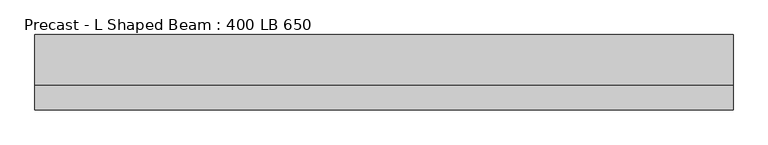
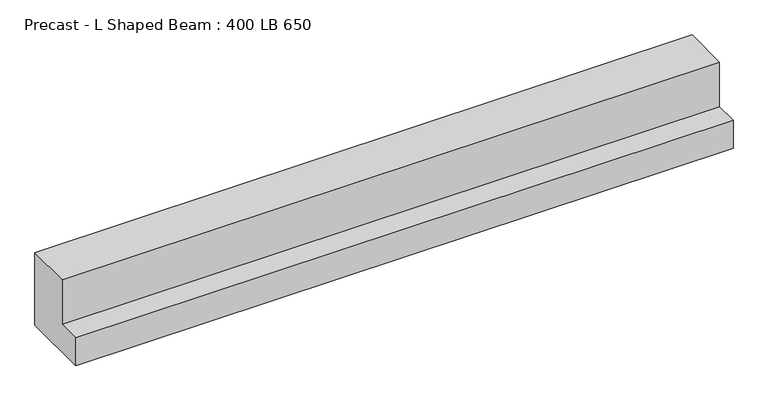
"""IFC4 building model written with IfcOpenShell, lengths in millimetres: beam geometry, Precast - L Shaped Beam : 400 LB 650."""

import ifcopenshell
import ifcopenshell.guid

model = None  # the IFC model being written
_history = None  # IfcOwnerHistory: only IFC2X3 demands one
_inside = {}  # id of a spatial element -> (the spatial element, [elements in it])
_under = {}  # id of a project, library or spatial element -> (it, [spatial elements below it])
_declared = {}  # id of a project -> (the project, [libraries it declares])
_typed = {}  # id of a type object -> (the type object, [elements of that type])
_made_of = {}  # id of a material, layer set ... -> (it, [elements and type objects made of it])


def new_model(schema):
    """Start an empty IFC model of exactly this schema.

    Asked for "IFC4X3", IfcOpenShell would pick the latest addendum, in which some entities
    have other attributes; the version numbers below select the first issue.
    IFC2X3 requires an IfcOwnerHistory on every rooted entity: one is made here for all.
    """
    global model, _history
    if schema == "IFC4X3":
        model = ifcopenshell.file(schema_version=(4, 3, 0, 0))
    else:
        model = ifcopenshell.file(schema=schema)
    _inside.clear()
    _under.clear()
    _declared.clear()
    _typed.clear()
    _made_of.clear()
    _history = None
    if model.schema == "IFC2X3":
        org = make("IfcOrganization", Name="unknown")
        user = make(
            "IfcPersonAndOrganization",
            ThePerson=make("IfcPerson", FamilyName="unknown"),
            TheOrganization=org,
        )
        app = make(
            "IfcApplication",
            ApplicationDeveloper=org,
            Version="unknown",
            ApplicationFullName="unknown",
            ApplicationIdentifier="unknown",
        )
        _history = make(
            "IfcOwnerHistory",
            OwningUser=user,
            OwningApplication=app,
            ChangeAction="ADDED",
            CreationDate=0,
        )
    return model


def make(cls, **values):
    """One entity of the class cls with the attributes given. An attribute that is None is left unset."""
    return model.create_entity(
        cls, **{name: value for name, value in values.items() if value is not None}
    )


def rooted(cls, **values):
    """An entity with a GlobalId (a new one), such as an element, a storey or a relation."""
    return make(cls, GlobalId=ifcopenshell.guid.new(), OwnerHistory=_history, **values)


def si_unit(unit_type, name, prefix=None):
    """IfcSIUnit, for example si_unit("LENGTHUNIT", "METRE", prefix="MILLI")."""
    return make("IfcSIUnit", UnitType=unit_type, Prefix=prefix, Name=name)


def assignment(units):
    """IfcUnitAssignment: the units of a project."""
    return None if units is None else make("IfcUnitAssignment", Units=units)


def point(xyz):
    """IfcCartesianPoint."""
    return None if xyz is None else make("IfcCartesianPoint", Coordinates=xyz)


def direction(xyz):
    """IfcDirection."""
    return None if xyz is None else make("IfcDirection", DirectionRatios=xyz)


def frame(location, z_axis=None, x_axis=None):
    """IfcAxis2Placement3D, a coordinate frame: its origin and axes. An axis left out is left unset."""
    return make(
        "IfcAxis2Placement3D",
        Location=point(location),
        Axis=direction(z_axis),
        RefDirection=direction(x_axis),
    )


def origin():
    """The frame at (0, 0, 0) with its axes left unset."""
    return frame((0.0, 0.0, 0.0))


def place(relative_to, where):
    """IfcLocalPlacement: puts the frame where relative to a parent placement (None: the world)."""
    return make(
        "IfcLocalPlacement", PlacementRelTo=relative_to, RelativePlacement=where
    )


def context(
    kind, dimensions, precision=None, world=None, true_north=None, identifier=None
):
    """IfcGeometricRepresentationContext, for example the 3D "Model" context."""
    return make(
        "IfcGeometricRepresentationContext",
        ContextIdentifier=identifier,
        ContextType=kind,
        CoordinateSpaceDimension=dimensions,
        Precision=precision,
        WorldCoordinateSystem=world,
        TrueNorth=true_north,
    )


def project(units=None, contexts=None):
    """IfcProject with its units and contexts."""
    return rooted(
        "IfcProject",
        Name="project",
        RepresentationContexts=contexts,
        UnitsInContext=assignment(units),
    )


def spatial(cls, under=None, at=None, **own):
    """A site, building, storey or space (cls), placed at a placement, below another one or the project."""
    s = rooted(cls, ObjectPlacement=at, **own)
    if under is not None:
        _under.setdefault(under.id(), (under, []))[1].append(s)
    return s


def polyline(points):
    """IfcPolyline through the points."""
    return make("IfcPolyline", Points=[point(p) for p in points])


def outline(outer, holes=None, kind="AREA"):
    """IfcArbitraryClosedProfileDef: a profile drawn as a closed curve; with holes, ...WithVoids."""
    if holes is None:
        return make("IfcArbitraryClosedProfileDef", ProfileType=kind, OuterCurve=outer)
    return make(
        "IfcArbitraryProfileDefWithVoids",
        ProfileType=kind,
        OuterCurve=outer,
        InnerCurves=holes,
    )


def extrude(swept, where, along, depth):
    """IfcExtrudedAreaSolid: the profile swept, set in the frame where, extruded along a direction by depth."""
    return make(
        "IfcExtrudedAreaSolid",
        SweptArea=swept,
        Position=where,
        ExtrudedDirection=direction(along),
        Depth=depth,
    )


def shape(context_of_items, identifier, shape_type, items):
    """IfcShapeRepresentation: the items that make up one representation, for example the "Body"."""
    return make(
        "IfcShapeRepresentation",
        ContextOfItems=context_of_items,
        RepresentationIdentifier=identifier,
        RepresentationType=shape_type,
        Items=items,
    )


def source(mapping_origin, context_of_items, identifier, shape_type, items):
    """IfcRepresentationMap: a shape defined once, which mapped items show again and again."""
    return make(
        "IfcRepresentationMap",
        MappingOrigin=mapping_origin,
        MappedRepresentation=shape(context_of_items, identifier, shape_type, items),
    )


def transform(
    local_origin,
    x_axis=None,
    y_axis=None,
    z_axis=None,
    scale=None,
    scale2=None,
    scale3=None,
    uniform=True,
):
    """IfcCartesianTransformationOperator3D, or its non-uniform kind. x_axis, y_axis, z_axis: its Axis1, 2, 3."""
    if uniform:
        return make(
            "IfcCartesianTransformationOperator3D",
            Axis1=direction(x_axis),
            Axis2=direction(y_axis),
            LocalOrigin=point(local_origin),
            Scale=scale,
            Axis3=direction(z_axis),
        )
    return make(
        "IfcCartesianTransformationOperator3DnonUniform",
        Axis1=direction(x_axis),
        Axis2=direction(y_axis),
        LocalOrigin=point(local_origin),
        Scale=scale,
        Axis3=direction(z_axis),
        Scale2=scale2,
        Scale3=scale3,
    )


def mapped(mapping_source, mapping_target):
    """IfcMappedItem: shows the shape of a source again, moved by a transform."""
    return make(
        "IfcMappedItem", MappingSource=mapping_source, MappingTarget=mapping_target
    )


def made_of(thing, what):
    """Note that an element or type object is made of a material, layer set ...; save() writes the relation."""
    if what is not None:
        _made_of.setdefault(what.id(), (what, []))[1].append(thing)
    return thing


def element(
    cls,
    number,
    at=None,
    inside=None,
    cuts=None,
    type_object=None,
    material=None,
    context=None,
    identifier="Body",
    shape_type=None,
    held_by="IfcProductDefinitionShape",
    body=None,
    shapes=None,
    **own,
):
    """One element of the class cls, such as IfcWall. Its Tag is "e" and its number.

    at: its placement. inside: the storey or other place that contains it. cuts: it is an
    opening in that element (IfcRelVoidsElement). A single representation is given by context,
    identifier, shape_type and body (its items); several are given by shapes. held_by: the class
    of the entity that holds the representations. save() writes the other relations.
    """
    e = rooted(cls, Tag="e%d" % number, ObjectPlacement=at, **own)
    if body is not None:
        shapes = [shape(context, identifier, shape_type, body)]
    if shapes is not None:
        e.Representation = make(held_by, Representations=shapes)
    if inside is not None:
        _inside.setdefault(inside.id(), (inside, []))[1].append(e)
    if cuts is not None:
        rooted(
            "IfcRelVoidsElement", RelatingBuildingElement=cuts, RelatedOpeningElement=e
        )
    if type_object is not None:
        _typed.setdefault(type_object.id(), (type_object, []))[1].append(e)
    return made_of(e, material)


def aggregate(whole, parts):
    """IfcRelAggregates: a whole, such as a stair, and the parts it consists of."""
    return rooted("IfcRelAggregates", RelatingObject=whole, RelatedObjects=parts)


def save(model, path):
    """Write the relations noted so far, then the file.

    IfcRelAggregates (storeys below a building ...), IfcRelContainedInSpatialStructure (elements
    in a storey), IfcRelDefinesByType, IfcRelAssociatesMaterial and IfcRelDeclares: one each for
    every whole, place, type object, material and project.
    """
    for whole, parts in _under.values():
        aggregate(whole, parts)
    for where, things in _inside.values():
        rooted(
            "IfcRelContainedInSpatialStructure",
            RelatedElements=things,
            RelatingStructure=where,
        )
    for kind, things in _typed.values():
        rooted("IfcRelDefinesByType", RelatedObjects=things, RelatingType=kind)
    for what, things in _made_of.values():
        rooted("IfcRelAssociatesMaterial", RelatedObjects=things, RelatingMaterial=what)
    for by, libraries in _declared.values():
        rooted("IfcRelDeclares", RelatingContext=by, RelatedDefinitions=libraries)
    model.write(path)


def precast_l_shaped_beam_400_lb_650_ff98f28c(model_context):
    return source(origin(), model_context, "Body", "SweptSolid", [
        extrude(outline(polyline([(300.0, -325.0), (-300.0, -325.0), (-300.0, -75.0), (-100.0, -75.0), (-100.0, 325.0), (300.0, 325.0), (300.0, -325.0)])), frame((-2780.0, 0.0, 0.0), z_axis=(1.0, 0.0, 0.0), x_axis=(0.0, 1.0, 0.0)), (0.0, 0.0, 1.0), 5560.0),
    ])


if __name__ == "__main__":
    model = new_model("IFC4")
    model_context = context("Model", 3, world=origin())
    ifc_project = project(units=[si_unit("LENGTHUNIT", "METRE", prefix="MILLI")], contexts=[model_context])
    site = spatial("IfcSite", under=ifc_project)
    building = spatial("IfcBuilding", under=site)
    placement = place(None, origin())
    precast_l_shaped_beam_400_lb_650_shape = precast_l_shaped_beam_400_lb_650_ff98f28c(model_context)
    element("IfcBeam", 1, ObjectType="Precast - L Shaped Beam : 400 LB 650", at=placement, inside=building, context=model_context, shape_type="MappedRepresentation", body=[
        mapped(precast_l_shaped_beam_400_lb_650_shape, transform((0.0, 0.0, 0.0), x_axis=(1.0, 0.0, 0.0), y_axis=(0.0, 1.0, 0.0), z_axis=(0.0, 0.0, 1.0))),
    ])
    save(model, "model.ifc")
